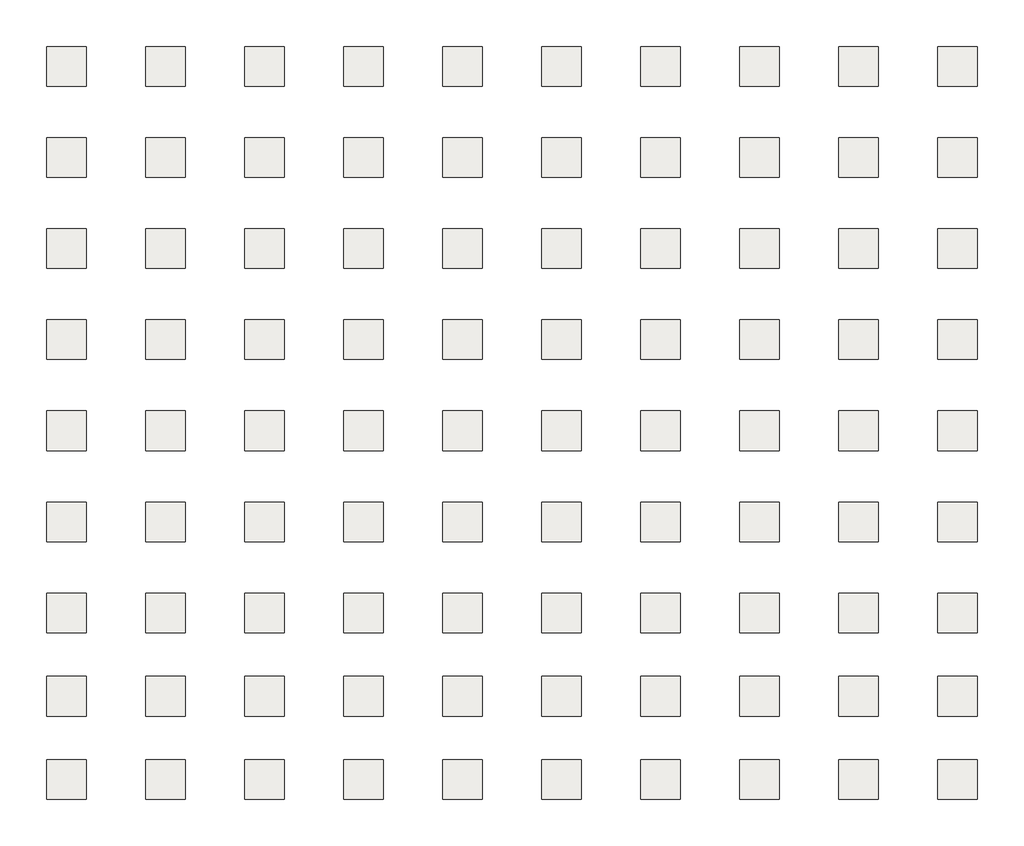
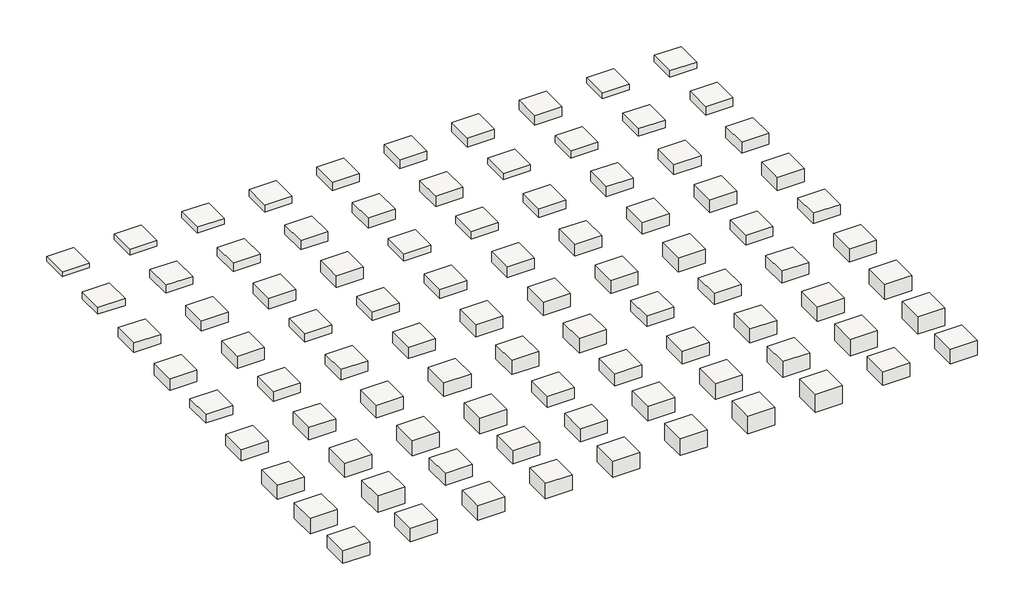
# One storey: 90 slabs.
"""IFC4 building model written with IfcOpenShell, lengths in millimetres."""

from ifc_helpers import new_model, si_unit, frame, origin, place, context, project, spatial, polyline, outline, extrude, element, save

model = new_model("IFC4")

# Units and contexts
model_context = context("Model", 3, world=origin())
ifc_project = project(units=[si_unit("LENGTHUNIT", "METRE", prefix="MILLI")], contexts=[model_context])

# Site, building, storey
site = spatial("IfcSite", under=ifc_project)
building = spatial("IfcBuilding", under=site)
storey = spatial("IfcBuildingStorey", under=building, Elevation=10972.8)

# Slabs
placement = place(None, origin())
element("IfcSlab", 1, at=placement, inside=storey, context=model_context, shape_type="SweptSolid", body=[
    extrude(outline(polyline([(-14128.9835383, 9270.2863389), (-14128.9835383, 6222.2863389), (-17176.9835383, 6222.2863389), (-17176.9835383, 9270.2863389), (-14128.9835383, 9270.2863389)])), frame((0.0, 0.0, 10429.2399904), z_axis=(0.0, 0.0, 1.0), x_axis=(1.0, 0.0, 0.0)), (0.0, 0.0, 1.0), 543.5600096),
])
element("IfcSlab", 2, at=placement, inside=storey, context=model_context, shape_type="SweptSolid", body=[
    extrude(outline(polyline([(-6508.9835383, 9270.2863389), (-6508.9835383, 6222.2863389), (-9556.9835383, 6222.2863389), (-9556.9835383, 9270.2863389), (-6508.9835383, 9270.2863389)])), frame((0.0, 0.0, 10353.0399904), z_axis=(0.0, 0.0, 1.0), x_axis=(1.0, 0.0, 0.0)), (0.0, 0.0, 1.0), 619.7600096),
])
element("IfcSlab", 3, at=placement, inside=storey, context=model_context, shape_type="SweptSolid", body=[
    extrude(outline(polyline([(1111.0164617, 9270.2863389), (1111.0164617, 6222.2863389), (-1936.9835383, 6222.2863389), (-1936.9835383, 9270.2863389), (1111.0164617, 9270.2863389)])), frame((0.0, 0.0, 10276.8399904), z_axis=(0.0, 0.0, 1.0), x_axis=(1.0, 0.0, 0.0)), (0.0, 0.0, 1.0), 695.9600096),
])
element("IfcSlab", 4, at=placement, inside=storey, context=model_context, shape_type="SweptSolid", body=[
    extrude(outline(polyline([(8731.0164617, 9270.2863389), (8731.0164617, 6222.2863389), (5683.0164617, 6222.2863389), (5683.0164617, 9270.2863389), (8731.0164617, 9270.2863389)])), frame((0.0, 0.0, 10124.4399904), z_axis=(0.0, 0.0, 1.0), x_axis=(1.0, 0.0, 0.0)), (0.0, 0.0, 1.0), 848.3600096),
])
element("IfcSlab", 5, at=placement, inside=storey, context=model_context, shape_type="SweptSolid", body=[
    extrude(outline(polyline([(16351.0164617, 9270.2863389), (16351.0164617, 6222.2863389), (13303.0164617, 6222.2863389), (13303.0164617, 9270.2863389), (16351.0164617, 9270.2863389)])), frame((0.0, 0.0, 10048.2399904), z_axis=(0.0, 0.0, 1.0), x_axis=(1.0, 0.0, 0.0)), (0.0, 0.0, 1.0), 924.5600096),
])
element("IfcSlab", 6, at=placement, inside=storey, context=model_context, shape_type="SweptSolid", body=[
    extrude(outline(polyline([(23971.0164617, 9270.2863389), (23971.0164617, 6222.2863389), (20923.0164617, 6222.2863389), (20923.0164617, 9270.2863389), (23971.0164617, 9270.2863389)])), frame((0.0, 0.0, 9972.0399904), z_axis=(0.0, 0.0, 1.0), x_axis=(1.0, 0.0, 0.0)), (0.0, 0.0, 1.0), 1000.7600096),
])
element("IfcSlab", 7, at=placement, inside=storey, context=model_context, shape_type="SweptSolid", body=[
    extrude(outline(polyline([(31591.0164617, 9270.2863389), (31591.0164617, 6222.2863389), (28543.0164617, 6222.2863389), (28543.0164617, 9270.2863389), (31591.0164617, 9270.2863389)])), frame((0.0, 0.0, 9895.8399904), z_axis=(0.0, 0.0, 1.0), x_axis=(1.0, 0.0, 0.0)), (0.0, 0.0, 1.0), 1076.9600096),
])
element("IfcSlab", 8, at=placement, inside=storey, context=model_context, shape_type="SweptSolid", body=[
    extrude(outline(polyline([(39211.0164617, 9270.2863389), (39211.0164617, 6222.2863389), (36163.0164617, 6222.2863389), (36163.0164617, 9270.2863389), (39211.0164617, 9270.2863389)])), frame((0.0, 0.0, 9819.6399904), z_axis=(0.0, 0.0, 1.0), x_axis=(1.0, 0.0, 0.0)), (0.0, 0.0, 1.0), 1153.1600096),
])
element("IfcSlab", 9, at=placement, inside=storey, context=model_context, shape_type="SweptSolid", body=[
    extrude(outline(polyline([(46831.0164617, 9270.2863389), (46831.0164617, 6222.2863389), (43783.0164617, 6222.2863389), (43783.0164617, 9270.2863389), (46831.0164617, 9270.2863389)])), frame((0.0, 0.0, 10330.179994), z_axis=(0.0, 0.0, 1.0), x_axis=(1.0, 0.0, 0.0)), (0.0, 0.0, 1.0), 642.620006),
])
element("IfcSlab", 10, at=placement, inside=storey, context=model_context, shape_type="SweptSolid", body=[
    extrude(outline(polyline([(54451.0164617, 9270.2863389), (54451.0164617, 6222.2863389), (51403.0164617, 6222.2863389), (51403.0164617, 9270.2863389), (54451.0164617, 9270.2863389)])), frame((0.0, 0.0, 10253.979994), z_axis=(0.0, 0.0, 1.0), x_axis=(1.0, 0.0, 0.0)), (0.0, 0.0, 1.0), 718.820006),
])
element("IfcSlab", 11, at=placement, inside=storey, context=model_context, shape_type="SweptSolid", body=[
    extrude(outline(polyline([(-14128.9835383, 2259.8863389), (-14128.9835383, -788.1136611), (-17176.9835383, -788.1136611), (-17176.9835383, 2259.8863389), (-14128.9835383, 2259.8863389)])), frame((0.0, 0.0, 10177.779994), z_axis=(0.0, 0.0, 1.0), x_axis=(1.0, 0.0, 0.0)), (0.0, 0.0, 1.0), 795.020006),
])
element("IfcSlab", 12, at=placement, inside=storey, context=model_context, shape_type="SweptSolid", body=[
    extrude(outline(polyline([(-6508.9835383, 2259.8863389), (-6508.9835383, -788.1136611), (-9556.9835383, -788.1136611), (-9556.9835383, 2259.8863389), (-6508.9835383, 2259.8863389)])), frame((0.0, 0.0, 10025.379994), z_axis=(0.0, 0.0, 1.0), x_axis=(1.0, 0.0, 0.0)), (0.0, 0.0, 1.0), 947.420006),
])
element("IfcSlab", 13, at=placement, inside=storey, context=model_context, shape_type="SweptSolid", body=[
    extrude(outline(polyline([(1111.0164617, 2259.8863389), (1111.0164617, -788.1136611), (-1936.9835383, -788.1136611), (-1936.9835383, 2259.8863389), (1111.0164617, 2259.8863389)])), frame((0.0, 0.0, 9949.179994), z_axis=(0.0, 0.0, 1.0), x_axis=(1.0, 0.0, 0.0)), (0.0, 0.0, 1.0), 1023.620006),
])
element("IfcSlab", 14, at=placement, inside=storey, context=model_context, shape_type="SweptSolid", body=[
    extrude(outline(polyline([(8731.0164617, 2259.8863389), (8731.0164617, -788.1136611), (5683.0164617, -788.1136611), (5683.0164617, 2259.8863389), (8731.0164617, 2259.8863389)])), frame((0.0, 0.0, 9872.979994), z_axis=(0.0, 0.0, 1.0), x_axis=(1.0, 0.0, 0.0)), (0.0, 0.0, 1.0), 1099.820006),
])
element("IfcSlab", 15, at=placement, inside=storey, context=model_context, shape_type="SweptSolid", body=[
    extrude(outline(polyline([(16351.0164617, 2259.8863389), (16351.0164617, -788.1136611), (13303.0164617, -788.1136611), (13303.0164617, 2259.8863389), (16351.0164617, 2259.8863389)])), frame((0.0, 0.0, 9796.779994), z_axis=(0.0, 0.0, 1.0), x_axis=(1.0, 0.0, 0.0)), (0.0, 0.0, 1.0), 1176.020006),
])
element("IfcSlab", 16, at=placement, inside=storey, context=model_context, shape_type="SweptSolid", body=[
    extrude(outline(polyline([(23971.0164617, 2259.8863389), (23971.0164617, -788.1136611), (20923.0164617, -788.1136611), (20923.0164617, 2259.8863389), (23971.0164617, 2259.8863389)])), frame((0.0, 0.0, 9720.579994), z_axis=(0.0, 0.0, 1.0), x_axis=(1.0, 0.0, 0.0)), (0.0, 0.0, 1.0), 1252.220006),
])
element("IfcSlab", 17, at=placement, inside=storey, context=model_context, shape_type="SweptSolid", body=[
    extrude(outline(polyline([(31591.0164617, 2259.8863389), (31591.0164617, -788.1136611), (28543.0164617, -788.1136611), (28543.0164617, 2259.8863389), (31591.0164617, 2259.8863389)])), frame((0.0, 0.0, 10231.1200158), z_axis=(0.0, 0.0, 1.0), x_axis=(1.0, 0.0, 0.0)), (0.0, 0.0, 1.0), 741.6799842),
])
element("IfcSlab", 18, at=placement, inside=storey, context=model_context, shape_type="SweptSolid", body=[
    extrude(outline(polyline([(39211.0164617, 2259.8863389), (39211.0164617, -788.1136611), (36163.0164617, -788.1136611), (36163.0164617, 2259.8863389), (39211.0164617, 2259.8863389)])), frame((0.0, 0.0, 10154.9200158), z_axis=(0.0, 0.0, 1.0), x_axis=(1.0, 0.0, 0.0)), (0.0, 0.0, 1.0), 817.8799842),
])
element("IfcSlab", 19, at=placement, inside=storey, context=model_context, shape_type="SweptSolid", body=[
    extrude(outline(polyline([(46831.0164617, 2259.8863389), (46831.0164617, -788.1136611), (43783.0164617, -788.1136611), (43783.0164617, 2259.8863389), (46831.0164617, 2259.8863389)])), frame((0.0, 0.0, 10078.7200158), z_axis=(0.0, 0.0, 1.0), x_axis=(1.0, 0.0, 0.0)), (0.0, 0.0, 1.0), 894.0799842),
])
element("IfcSlab", 20, at=placement, inside=storey, context=model_context, shape_type="SweptSolid", body=[
    extrude(outline(polyline([(54451.0164617, 2259.8863389), (54451.0164617, -788.1136611), (51403.0164617, -788.1136611), (51403.0164617, 2259.8863389), (54451.0164617, 2259.8863389)])), frame((0.0, 0.0, 9926.3200158), z_axis=(0.0, 0.0, 1.0), x_axis=(1.0, 0.0, 0.0)), (0.0, 0.0, 1.0), 1046.4799842),
])
element("IfcSlab", 21, at=placement, inside=storey, context=model_context, shape_type="SweptSolid", body=[
    extrude(outline(polyline([(-14128.9835383, -4750.5136611), (-14128.9835383, -7798.5136611), (-17176.9835383, -7798.5136611), (-17176.9835383, -4750.5136611), (-14128.9835383, -4750.5136611)])), frame((0.0, 0.0, 9850.1200158), z_axis=(0.0, 0.0, 1.0), x_axis=(1.0, 0.0, 0.0)), (0.0, 0.0, 1.0), 1122.6799842),
])
element("IfcSlab", 22, at=placement, inside=storey, context=model_context, shape_type="SweptSolid", body=[
    extrude(outline(polyline([(-6508.9835383, -4750.5136611), (-6508.9835383, -7798.5136611), (-9556.9835383, -7798.5136611), (-9556.9835383, -4750.5136611), (-6508.9835383, -4750.5136611)])), frame((0.0, 0.0, 9773.9200158), z_axis=(0.0, 0.0, 1.0), x_axis=(1.0, 0.0, 0.0)), (0.0, 0.0, 1.0), 1198.8799842),
])
element("IfcSlab", 23, at=placement, inside=storey, context=model_context, shape_type="SweptSolid", body=[
    extrude(outline(polyline([(1111.0164617, -4750.5136611), (1111.0164617, -7798.5136611), (-1936.9835383, -7798.5136611), (-1936.9835383, -4750.5136611), (1111.0164617, -4750.5136611)])), frame((0.0, 0.0, 9697.7200158), z_axis=(0.0, 0.0, 1.0), x_axis=(1.0, 0.0, 0.0)), (0.0, 0.0, 1.0), 1275.0799842),
])
element("IfcSlab", 24, at=placement, inside=storey, context=model_context, shape_type="SweptSolid", body=[
    extrude(outline(polyline([(8731.0164617, -4750.5136611), (8731.0164617, -7798.5136611), (5683.0164617, -7798.5136611), (5683.0164617, -4750.5136611), (8731.0164617, -4750.5136611)])), frame((0.0, 0.0, 9621.5200158), z_axis=(0.0, 0.0, 1.0), x_axis=(1.0, 0.0, 0.0)), (0.0, 0.0, 1.0), 1351.2799842),
])
element("IfcSlab", 25, at=placement, inside=storey, context=model_context, shape_type="SweptSolid", body=[
    extrude(outline(polyline([(16351.0164617, -4750.5136611), (16351.0164617, -7798.5136611), (13303.0164617, -7798.5136611), (13303.0164617, -4750.5136611), (16351.0164617, -4750.5136611)])), frame((0.0, 0.0, 10129.5200037), z_axis=(0.0, 0.0, 1.0), x_axis=(1.0, 0.0, 0.0)), (0.0, 0.0, 1.0), 843.2799963),
])
element("IfcSlab", 26, at=placement, inside=storey, context=model_context, shape_type="SweptSolid", body=[
    extrude(outline(polyline([(23971.0164617, -4750.5136611), (23971.0164617, -7798.5136611), (20923.0164617, -7798.5136611), (20923.0164617, -4750.5136611), (23971.0164617, -4750.5136611)])), frame((0.0, 0.0, 10053.3200037), z_axis=(0.0, 0.0, 1.0), x_axis=(1.0, 0.0, 0.0)), (0.0, 0.0, 1.0), 919.4799963),
])
element("IfcSlab", 27, at=placement, inside=storey, context=model_context, shape_type="SweptSolid", body=[
    extrude(outline(polyline([(31591.0164617, -4750.5136611), (31591.0164617, -7798.5136611), (28543.0164617, -7798.5136611), (28543.0164617, -4750.5136611), (31591.0164617, -4750.5136611)])), frame((0.0, 0.0, 9977.1200037), z_axis=(0.0, 0.0, 1.0), x_axis=(1.0, 0.0, 0.0)), (0.0, 0.0, 1.0), 995.6799963),
])
element("IfcSlab", 28, at=placement, inside=storey, context=model_context, shape_type="SweptSolid", body=[
    extrude(outline(polyline([(39211.0164617, -4750.5136611), (39211.0164617, -7798.5136611), (36163.0164617, -7798.5136611), (36163.0164617, -4750.5136611), (39211.0164617, -4750.5136611)])), frame((0.0, 0.0, 9824.7200037), z_axis=(0.0, 0.0, 1.0), x_axis=(1.0, 0.0, 0.0)), (0.0, 0.0, 1.0), 1148.0799963),
])
element("IfcSlab", 29, at=placement, inside=storey, context=model_context, shape_type="SweptSolid", body=[
    extrude(outline(polyline([(46831.0164617, -4750.5136611), (46831.0164617, -7798.5136611), (43783.0164617, -7798.5136611), (43783.0164617, -4750.5136611), (46831.0164617, -4750.5136611)])), frame((0.0, 0.0, 9748.5200037), z_axis=(0.0, 0.0, 1.0), x_axis=(1.0, 0.0, 0.0)), (0.0, 0.0, 1.0), 1224.2799963),
])
element("IfcSlab", 30, at=placement, inside=storey, context=model_context, shape_type="SweptSolid", body=[
    extrude(outline(polyline([(54451.0164617, -4750.5136611), (54451.0164617, -7798.5136611), (51403.0164617, -7798.5136611), (51403.0164617, -4750.5136611), (54451.0164617, -4750.5136611)])), frame((0.0, 0.0, 9672.3200037), z_axis=(0.0, 0.0, 1.0), x_axis=(1.0, 0.0, 0.0)), (0.0, 0.0, 1.0), 1300.4799963),
])
element("IfcSlab", 31, at=placement, inside=storey, context=model_context, shape_type="SweptSolid", body=[
    extrude(outline(polyline([(-14128.9835383, -11760.9136611), (-14128.9835383, -14808.9136611), (-17176.9835383, -14808.9136611), (-17176.9835383, -11760.9136611), (-14128.9835383, -11760.9136611)])), frame((0.0, 0.0, 9596.1200037), z_axis=(0.0, 0.0, 1.0), x_axis=(1.0, 0.0, 0.0)), (0.0, 0.0, 1.0), 1376.6799963),
])
element("IfcSlab", 32, at=placement, inside=storey, context=model_context, shape_type="SweptSolid", body=[
    extrude(outline(polyline([(-6508.9835383, -11760.9136611), (-6508.9835383, -14808.9136611), (-9556.9835383, -14808.9136611), (-9556.9835383, -11760.9136611), (-6508.9835383, -11760.9136611)])), frame((0.0, 0.0, 9519.9200037), z_axis=(0.0, 0.0, 1.0), x_axis=(1.0, 0.0, 0.0)), (0.0, 0.0, 1.0), 1452.8799963),
])
element("IfcSlab", 33, at=placement, inside=storey, context=model_context, shape_type="SweptSolid", body=[
    extrude(outline(polyline([(1111.0164617, -11760.9136611), (1111.0164617, -14808.9136611), (-1936.9835383, -14808.9136611), (-1936.9835383, -11760.9136611), (1111.0164617, -11760.9136611)])), frame((0.0, 0.0, 10030.4599892), z_axis=(0.0, 0.0, 1.0), x_axis=(1.0, 0.0, 0.0)), (0.0, 0.0, 1.0), 942.3400108),
])
element("IfcSlab", 34, at=placement, inside=storey, context=model_context, shape_type="SweptSolid", body=[
    extrude(outline(polyline([(8731.0164617, -11760.9136611), (8731.0164617, -14808.9136611), (5683.0164617, -14808.9136611), (5683.0164617, -11760.9136611), (8731.0164617, -11760.9136611)])), frame((0.0, 0.0, 9954.2599892), z_axis=(0.0, 0.0, 1.0), x_axis=(1.0, 0.0, 0.0)), (0.0, 0.0, 1.0), 1018.5400108),
])
element("IfcSlab", 35, at=placement, inside=storey, context=model_context, shape_type="SweptSolid", body=[
    extrude(outline(polyline([(16351.0164617, -11760.9136611), (16351.0164617, -14808.9136611), (13303.0164617, -14808.9136611), (13303.0164617, -11760.9136611), (16351.0164617, -11760.9136611)])), frame((0.0, 0.0, 9878.0599892), z_axis=(0.0, 0.0, 1.0), x_axis=(1.0, 0.0, 0.0)), (0.0, 0.0, 1.0), 1094.7400108),
])
element("IfcSlab", 36, at=placement, inside=storey, context=model_context, shape_type="SweptSolid", body=[
    extrude(outline(polyline([(23971.0164617, -11760.9136611), (23971.0164617, -14808.9136611), (20923.0164617, -14808.9136611), (20923.0164617, -11760.9136611), (23971.0164617, -11760.9136611)])), frame((0.0, 0.0, 9725.6599892), z_axis=(0.0, 0.0, 1.0), x_axis=(1.0, 0.0, 0.0)), (0.0, 0.0, 1.0), 1247.1400108),
])
element("IfcSlab", 37, at=placement, inside=storey, context=model_context, shape_type="SweptSolid", body=[
    extrude(outline(polyline([(31591.0164617, -11760.9136611), (31591.0164617, -14808.9136611), (28543.0164617, -14808.9136611), (28543.0164617, -11760.9136611), (31591.0164617, -11760.9136611)])), frame((0.0, 0.0, 9649.4599892), z_axis=(0.0, 0.0, 1.0), x_axis=(1.0, 0.0, 0.0)), (0.0, 0.0, 1.0), 1323.3400108),
])
element("IfcSlab", 38, at=placement, inside=storey, context=model_context, shape_type="SweptSolid", body=[
    extrude(outline(polyline([(39211.0164617, -11760.9136611), (39211.0164617, -14808.9136611), (36163.0164617, -14808.9136611), (36163.0164617, -11760.9136611), (39211.0164617, -11760.9136611)])), frame((0.0, 0.0, 9573.2599892), z_axis=(0.0, 0.0, 1.0), x_axis=(1.0, 0.0, 0.0)), (0.0, 0.0, 1.0), 1399.5400108),
])
element("IfcSlab", 39, at=placement, inside=storey, context=model_context, shape_type="SweptSolid", body=[
    extrude(outline(polyline([(46831.0164617, -11760.9136611), (46831.0164617, -14808.9136611), (43783.0164617, -14808.9136611), (43783.0164617, -11760.9136611), (46831.0164617, -11760.9136611)])), frame((0.0, 0.0, 9497.0599892), z_axis=(0.0, 0.0, 1.0), x_axis=(1.0, 0.0, 0.0)), (0.0, 0.0, 1.0), 1475.7400108),
])
element("IfcSlab", 40, at=placement, inside=storey, context=model_context, shape_type="SweptSolid", body=[
    extrude(outline(polyline([(54451.0164617, -11760.9136611), (54451.0164617, -14808.9136611), (51403.0164617, -14808.9136611), (51403.0164617, -11760.9136611), (54451.0164617, -11760.9136611)])), frame((0.0, 0.0, 9420.8599892), z_axis=(0.0, 0.0, 1.0), x_axis=(1.0, 0.0, 0.0)), (0.0, 0.0, 1.0), 1551.9400108),
])
element("IfcSlab", 41, at=placement, inside=storey, context=model_context, shape_type="SweptSolid", body=[
    extrude(outline(polyline([(-14128.9835383, -18771.3136611), (-14128.9835383, -21819.3136611), (-17176.9835383, -21819.3136611), (-17176.9835383, -18771.3136611), (-14128.9835383, -18771.3136611)])), frame((0.0, 0.0, 9928.8600134), z_axis=(0.0, 0.0, 1.0), x_axis=(1.0, 0.0, 0.0)), (0.0, 0.0, 1.0), 1043.9399866),
])
element("IfcSlab", 42, at=placement, inside=storey, context=model_context, shape_type="SweptSolid", body=[
    extrude(outline(polyline([(-6508.9835383, -18771.3136611), (-6508.9835383, -21819.3136611), (-9556.9835383, -21819.3136611), (-9556.9835383, -18771.3136611), (-6508.9835383, -18771.3136611)])), frame((0.0, 0.0, 9852.6600134), z_axis=(0.0, 0.0, 1.0), x_axis=(1.0, 0.0, 0.0)), (0.0, 0.0, 1.0), 1120.1399866),
])
element("IfcSlab", 43, at=placement, inside=storey, context=model_context, shape_type="SweptSolid", body=[
    extrude(outline(polyline([(1111.0164617, -18771.3136611), (1111.0164617, -21819.3136611), (-1936.9835383, -21819.3136611), (-1936.9835383, -18771.3136611), (1111.0164617, -18771.3136611)])), frame((0.0, 0.0, 9776.4600134), z_axis=(0.0, 0.0, 1.0), x_axis=(1.0, 0.0, 0.0)), (0.0, 0.0, 1.0), 1196.3399866),
])
element("IfcSlab", 44, at=placement, inside=storey, context=model_context, shape_type="SweptSolid", body=[
    extrude(outline(polyline([(8731.0164617, -18771.3136611), (8731.0164617, -21819.3136611), (5683.0164617, -21819.3136611), (5683.0164617, -18771.3136611), (8731.0164617, -18771.3136611)])), frame((0.0, 0.0, 9624.0600134), z_axis=(0.0, 0.0, 1.0), x_axis=(1.0, 0.0, 0.0)), (0.0, 0.0, 1.0), 1348.7399866),
])
element("IfcSlab", 45, at=placement, inside=storey, context=model_context, shape_type="SweptSolid", body=[
    extrude(outline(polyline([(16351.0164617, -18771.3136611), (16351.0164617, -21819.3136611), (13303.0164617, -21819.3136611), (13303.0164617, -18771.3136611), (16351.0164617, -18771.3136611)])), frame((0.0, 0.0, 9547.8600134), z_axis=(0.0, 0.0, 1.0), x_axis=(1.0, 0.0, 0.0)), (0.0, 0.0, 1.0), 1424.9399866),
])
element("IfcSlab", 46, at=placement, inside=storey, context=model_context, shape_type="SweptSolid", body=[
    extrude(outline(polyline([(23971.0164617, -18771.3136611), (23971.0164617, -21819.3136611), (20923.0164617, -21819.3136611), (20923.0164617, -18771.3136611), (23971.0164617, -18771.3136611)])), frame((0.0, 0.0, 9471.6600134), z_axis=(0.0, 0.0, 1.0), x_axis=(1.0, 0.0, 0.0)), (0.0, 0.0, 1.0), 1501.1399866),
])
element("IfcSlab", 47, at=placement, inside=storey, context=model_context, shape_type="SweptSolid", body=[
    extrude(outline(polyline([(31591.0164617, -18771.3136611), (31591.0164617, -21819.3136611), (28543.0164617, -21819.3136611), (28543.0164617, -18771.3136611), (31591.0164617, -18771.3136611)])), frame((0.0, 0.0, 9395.4600134), z_axis=(0.0, 0.0, 1.0), x_axis=(1.0, 0.0, 0.0)), (0.0, 0.0, 1.0), 1577.3399866),
])
element("IfcSlab", 48, at=placement, inside=storey, context=model_context, shape_type="SweptSolid", body=[
    extrude(outline(polyline([(39211.0164617, -18771.3136611), (39211.0164617, -21819.3136611), (36163.0164617, -21819.3136611), (36163.0164617, -18771.3136611), (39211.0164617, -18771.3136611)])), frame((0.0, 0.0, 9319.2600134), z_axis=(0.0, 0.0, 1.0), x_axis=(1.0, 0.0, 0.0)), (0.0, 0.0, 1.0), 1653.5399866),
])
element("IfcSlab", 49, at=placement, inside=storey, context=model_context, shape_type="SweptSolid", body=[
    extrude(outline(polyline([(46831.0164617, -18771.3136611), (46831.0164617, -21819.3136611), (43783.0164617, -21819.3136611), (43783.0164617, -18771.3136611), (46831.0164617, -18771.3136611)])), frame((0.0, 0.0, 9829.7999989), z_axis=(0.0, 0.0, 1.0), x_axis=(1.0, 0.0, 0.0)), (0.0, 0.0, 1.0), 1143.0000011),
])
element("IfcSlab", 50, at=placement, inside=storey, context=model_context, shape_type="SweptSolid", body=[
    extrude(outline(polyline([(54451.0164617, -18771.3136611), (54451.0164617, -21819.3136611), (51403.0164617, -21819.3136611), (51403.0164617, -18771.3136611), (54451.0164617, -18771.3136611)])), frame((0.0, 0.0, 9753.5999989), z_axis=(0.0, 0.0, 1.0), x_axis=(1.0, 0.0, 0.0)), (0.0, 0.0, 1.0), 1219.2000011),
])
element("IfcSlab", 51, at=placement, inside=storey, context=model_context, shape_type="SweptSolid", body=[
    extrude(outline(polyline([(-14128.9835383, -25781.7136611), (-14128.9835383, -28829.7136611), (-17176.9835383, -28829.7136611), (-17176.9835383, -25781.7136611), (-14128.9835383, -25781.7136611)])), frame((0.0, 0.0, 9677.3999989), z_axis=(0.0, 0.0, 1.0), x_axis=(1.0, 0.0, 0.0)), (0.0, 0.0, 1.0), 1295.4000011),
])
element("IfcSlab", 52, at=placement, inside=storey, context=model_context, shape_type="SweptSolid", body=[
    extrude(outline(polyline([(-6508.9835383, -25781.7136611), (-6508.9835383, -28829.7136611), (-9556.9835383, -28829.7136611), (-9556.9835383, -25781.7136611), (-6508.9835383, -25781.7136611)])), frame((0.0, 0.0, 9524.9999989), z_axis=(0.0, 0.0, 1.0), x_axis=(1.0, 0.0, 0.0)), (0.0, 0.0, 1.0), 1447.8000011),
])
element("IfcSlab", 53, at=placement, inside=storey, context=model_context, shape_type="SweptSolid", body=[
    extrude(outline(polyline([(1111.0164617, -25781.7136611), (1111.0164617, -28829.7136611), (-1936.9835383, -28829.7136611), (-1936.9835383, -25781.7136611), (1111.0164617, -25781.7136611)])), frame((0.0, 0.0, 9448.7999989), z_axis=(0.0, 0.0, 1.0), x_axis=(1.0, 0.0, 0.0)), (0.0, 0.0, 1.0), 1524.0000011),
])
element("IfcSlab", 54, at=placement, inside=storey, context=model_context, shape_type="SweptSolid", body=[
    extrude(outline(polyline([(8731.0164617, -25781.7136611), (8731.0164617, -28829.7136611), (5683.0164617, -28829.7136611), (5683.0164617, -25781.7136611), (8731.0164617, -25781.7136611)])), frame((0.0, 0.0, 9372.5999989), z_axis=(0.0, 0.0, 1.0), x_axis=(1.0, 0.0, 0.0)), (0.0, 0.0, 1.0), 1600.2000011),
])
element("IfcSlab", 55, at=placement, inside=storey, context=model_context, shape_type="SweptSolid", body=[
    extrude(outline(polyline([(16351.0164617, -25781.7136611), (16351.0164617, -28829.7136611), (13303.0164617, -28829.7136611), (13303.0164617, -25781.7136611), (16351.0164617, -25781.7136611)])), frame((0.0, 0.0, 9296.3999989), z_axis=(0.0, 0.0, 1.0), x_axis=(1.0, 0.0, 0.0)), (0.0, 0.0, 1.0), 1676.4000011),
])
element("IfcSlab", 56, at=placement, inside=storey, context=model_context, shape_type="SweptSolid", body=[
    extrude(outline(polyline([(23971.0164617, -25781.7136611), (23971.0164617, -28829.7136611), (20923.0164617, -28829.7136611), (20923.0164617, -25781.7136611), (23971.0164617, -25781.7136611)])), frame((0.0, 0.0, 9220.1999989), z_axis=(0.0, 0.0, 1.0), x_axis=(1.0, 0.0, 0.0)), (0.0, 0.0, 1.0), 1752.6000011),
])
element("IfcSlab", 57, at=placement, inside=storey, context=model_context, shape_type="SweptSolid", body=[
    extrude(outline(polyline([(31591.0164617, -25781.7136611), (31591.0164617, -28829.7136611), (28543.0164617, -28829.7136611), (28543.0164617, -25781.7136611), (31591.0164617, -25781.7136611)])), frame((0.0, 0.0, 9730.7399843), z_axis=(0.0, 0.0, 1.0), x_axis=(1.0, 0.0, 0.0)), (0.0, 0.0, 1.0), 1242.0600157),
])
element("IfcSlab", 58, at=placement, inside=storey, context=model_context, shape_type="SweptSolid", body=[
    extrude(outline(polyline([(39211.0164617, -25781.7136611), (39211.0164617, -28829.7136611), (36163.0164617, -28829.7136611), (36163.0164617, -25781.7136611), (39211.0164617, -25781.7136611)])), frame((0.0, 0.0, 9654.5399843), z_axis=(0.0, 0.0, 1.0), x_axis=(1.0, 0.0, 0.0)), (0.0, 0.0, 1.0), 1318.2600157),
])
element("IfcSlab", 59, at=placement, inside=storey, context=model_context, shape_type="SweptSolid", body=[
    extrude(outline(polyline([(46831.0164617, -25781.7136611), (46831.0164617, -28829.7136611), (43783.0164617, -28829.7136611), (43783.0164617, -25781.7136611), (46831.0164617, -25781.7136611)])), frame((0.0, 0.0, 9578.3399843), z_axis=(0.0, 0.0, 1.0), x_axis=(1.0, 0.0, 0.0)), (0.0, 0.0, 1.0), 1394.4600157),
])
element("IfcSlab", 60, at=placement, inside=storey, context=model_context, shape_type="SweptSolid", body=[
    extrude(outline(polyline([(54451.0164617, -25781.7136611), (54451.0164617, -28829.7136611), (51403.0164617, -28829.7136611), (51403.0164617, -25781.7136611), (54451.0164617, -25781.7136611)])), frame((0.0, 0.0, 9425.9399843), z_axis=(0.0, 0.0, 1.0), x_axis=(1.0, 0.0, 0.0)), (0.0, 0.0, 1.0), 1546.8600157),
])
element("IfcSlab", 61, at=placement, inside=storey, context=model_context, shape_type="SweptSolid", body=[
    extrude(outline(polyline([(-14128.9835383, -32792.1136611), (-14128.9835383, -35840.1136611), (-17176.9835383, -35840.1136611), (-17176.9835383, -32792.1136611), (-14128.9835383, -32792.1136611)])), frame((0.0, 0.0, 9349.7399843), z_axis=(0.0, 0.0, 1.0), x_axis=(1.0, 0.0, 0.0)), (0.0, 0.0, 1.0), 1623.0600157),
])
element("IfcSlab", 62, at=placement, inside=storey, context=model_context, shape_type="SweptSolid", body=[
    extrude(outline(polyline([(-6508.9835383, -32792.1136611), (-6508.9835383, -35840.1136611), (-9556.9835383, -35840.1136611), (-9556.9835383, -32792.1136611), (-6508.9835383, -32792.1136611)])), frame((0.0, 0.0, 9273.5399843), z_axis=(0.0, 0.0, 1.0), x_axis=(1.0, 0.0, 0.0)), (0.0, 0.0, 1.0), 1699.2600157),
])
element("IfcSlab", 63, at=placement, inside=storey, context=model_context, shape_type="SweptSolid", body=[
    extrude(outline(polyline([(1111.0164617, -32792.1136611), (1111.0164617, -35840.1136611), (-1936.9835383, -35840.1136611), (-1936.9835383, -32792.1136611), (1111.0164617, -32792.1136611)])), frame((0.0, 0.0, 9197.3399843), z_axis=(0.0, 0.0, 1.0), x_axis=(1.0, 0.0, 0.0)), (0.0, 0.0, 1.0), 1775.4600157),
])
element("IfcSlab", 64, at=placement, inside=storey, context=model_context, shape_type="SweptSolid", body=[
    extrude(outline(polyline([(8731.0164617, -32792.1136611), (8731.0164617, -35840.1136611), (5683.0164617, -35840.1136611), (5683.0164617, -32792.1136611), (8731.0164617, -32792.1136611)])), frame((0.0, 0.0, 9121.1399843), z_axis=(0.0, 0.0, 1.0), x_axis=(1.0, 0.0, 0.0)), (0.0, 0.0, 1.0), 1851.6600157),
])
element("IfcSlab", 65, at=placement, inside=storey, context=model_context, shape_type="SweptSolid", body=[
    extrude(outline(polyline([(16351.0164617, -32792.1136611), (16351.0164617, -35840.1136611), (13303.0164617, -35840.1136611), (13303.0164617, -32792.1136611), (16351.0164617, -32792.1136611)])), frame((0.0, 0.0, 9629.1400086), z_axis=(0.0, 0.0, 1.0), x_axis=(1.0, 0.0, 0.0)), (0.0, 0.0, 1.0), 1343.6599914),
])
element("IfcSlab", 66, at=placement, inside=storey, context=model_context, shape_type="SweptSolid", body=[
    extrude(outline(polyline([(23971.0164617, -32792.1136611), (23971.0164617, -35840.1136611), (20923.0164617, -35840.1136611), (20923.0164617, -32792.1136611), (23971.0164617, -32792.1136611)])), frame((0.0, 0.0, 9552.9400086), z_axis=(0.0, 0.0, 1.0), x_axis=(1.0, 0.0, 0.0)), (0.0, 0.0, 1.0), 1419.8599914),
])
element("IfcSlab", 67, at=placement, inside=storey, context=model_context, shape_type="SweptSolid", body=[
    extrude(outline(polyline([(31591.0164617, -32792.1136611), (31591.0164617, -35840.1136611), (28543.0164617, -35840.1136611), (28543.0164617, -32792.1136611), (31591.0164617, -32792.1136611)])), frame((0.0, 0.0, 9476.7400086), z_axis=(0.0, 0.0, 1.0), x_axis=(1.0, 0.0, 0.0)), (0.0, 0.0, 1.0), 1496.0599914),
])
element("IfcSlab", 68, at=placement, inside=storey, context=model_context, shape_type="SweptSolid", body=[
    extrude(outline(polyline([(39211.0164617, -32792.1136611), (39211.0164617, -35840.1136611), (36163.0164617, -35840.1136611), (36163.0164617, -32792.1136611), (39211.0164617, -32792.1136611)])), frame((0.0, 0.0, 9324.3400086), z_axis=(0.0, 0.0, 1.0), x_axis=(1.0, 0.0, 0.0)), (0.0, 0.0, 1.0), 1648.4599914),
])
element("IfcSlab", 69, at=placement, inside=storey, context=model_context, shape_type="SweptSolid", body=[
    extrude(outline(polyline([(46831.0164617, -32792.1136611), (46831.0164617, -35840.1136611), (43783.0164617, -35840.1136611), (43783.0164617, -32792.1136611), (46831.0164617, -32792.1136611)])), frame((0.0, 0.0, 9248.1400086), z_axis=(0.0, 0.0, 1.0), x_axis=(1.0, 0.0, 0.0)), (0.0, 0.0, 1.0), 1724.6599914),
])
element("IfcSlab", 70, at=placement, inside=storey, context=model_context, shape_type="SweptSolid", body=[
    extrude(outline(polyline([(54451.0164617, -32792.1136611), (54451.0164617, -35840.1136611), (51403.0164617, -35840.1136611), (51403.0164617, -32792.1136611), (54451.0164617, -32792.1136611)])), frame((0.0, 0.0, 9171.9400086), z_axis=(0.0, 0.0, 1.0), x_axis=(1.0, 0.0, 0.0)), (0.0, 0.0, 1.0), 1800.8599914),
])
element("IfcSlab", 71, at=placement, inside=storey, context=model_context, shape_type="SweptSolid", body=[
    extrude(outline(polyline([(-14128.9835383, -39192.9136611), (-14128.9835383, -42240.9136611), (-17176.9835383, -42240.9136611), (-17176.9835383, -39192.9136611), (-14128.9835383, -39192.9136611)])), frame((0.0, 0.0, 9095.7400086), z_axis=(0.0, 0.0, 1.0), x_axis=(1.0, 0.0, 0.0)), (0.0, 0.0, 1.0), 1877.0599914),
])
element("IfcSlab", 72, at=placement, inside=storey, context=model_context, shape_type="SweptSolid", body=[
    extrude(outline(polyline([(-6508.9835383, -39192.9136611), (-6508.9835383, -42240.9136611), (-9556.9835383, -42240.9136611), (-9556.9835383, -39192.9136611), (-6508.9835383, -39192.9136611)])), frame((0.0, 0.0, 9019.5400086), z_axis=(0.0, 0.0, 1.0), x_axis=(1.0, 0.0, 0.0)), (0.0, 0.0, 1.0), 1953.2599914),
])
element("IfcSlab", 73, at=placement, inside=storey, context=model_context, shape_type="SweptSolid", body=[
    extrude(outline(polyline([(1111.0164617, -39192.9136611), (1111.0164617, -42240.9136611), (-1936.9835383, -42240.9136611), (-1936.9835383, -39192.9136611), (1111.0164617, -39192.9136611)])), frame((0.0, 0.0, 9530.079994), z_axis=(0.0, 0.0, 1.0), x_axis=(1.0, 0.0, 0.0)), (0.0, 0.0, 1.0), 1442.720006),
])
element("IfcSlab", 74, at=placement, inside=storey, context=model_context, shape_type="SweptSolid", body=[
    extrude(outline(polyline([(8731.0164617, -39192.9136611), (8731.0164617, -42240.9136611), (5683.0164617, -42240.9136611), (5683.0164617, -39192.9136611), (8731.0164617, -39192.9136611)])), frame((0.0, 0.0, 9453.879994), z_axis=(0.0, 0.0, 1.0), x_axis=(1.0, 0.0, 0.0)), (0.0, 0.0, 1.0), 1518.920006),
])
element("IfcSlab", 75, at=placement, inside=storey, context=model_context, shape_type="SweptSolid", body=[
    extrude(outline(polyline([(16351.0164617, -39192.9136611), (16351.0164617, -42240.9136611), (13303.0164617, -42240.9136611), (13303.0164617, -39192.9136611), (16351.0164617, -39192.9136611)])), frame((0.0, 0.0, 9377.679994), z_axis=(0.0, 0.0, 1.0), x_axis=(1.0, 0.0, 0.0)), (0.0, 0.0, 1.0), 1595.120006),
])
element("IfcSlab", 76, at=placement, inside=storey, context=model_context, shape_type="SweptSolid", body=[
    extrude(outline(polyline([(23971.0164617, -39192.9136611), (23971.0164617, -42240.9136611), (20923.0164617, -42240.9136611), (20923.0164617, -39192.9136611), (23971.0164617, -39192.9136611)])), frame((0.0, 0.0, 9225.279994), z_axis=(0.0, 0.0, 1.0), x_axis=(1.0, 0.0, 0.0)), (0.0, 0.0, 1.0), 1747.520006),
])
element("IfcSlab", 77, at=placement, inside=storey, context=model_context, shape_type="SweptSolid", body=[
    extrude(outline(polyline([(31591.0164617, -39192.9136611), (31591.0164617, -42240.9136611), (28543.0164617, -42240.9136611), (28543.0164617, -39192.9136611), (31591.0164617, -39192.9136611)])), frame((0.0, 0.0, 9149.079994), z_axis=(0.0, 0.0, 1.0), x_axis=(1.0, 0.0, 0.0)), (0.0, 0.0, 1.0), 1823.720006),
])
element("IfcSlab", 78, at=placement, inside=storey, context=model_context, shape_type="SweptSolid", body=[
    extrude(outline(polyline([(39211.0164617, -39192.9136611), (39211.0164617, -42240.9136611), (36163.0164617, -42240.9136611), (36163.0164617, -39192.9136611), (39211.0164617, -39192.9136611)])), frame((0.0, 0.0, 9072.879994), z_axis=(0.0, 0.0, 1.0), x_axis=(1.0, 0.0, 0.0)), (0.0, 0.0, 1.0), 1899.920006),
])
element("IfcSlab", 79, at=placement, inside=storey, context=model_context, shape_type="SweptSolid", body=[
    extrude(outline(polyline([(46831.0164617, -39192.9136611), (46831.0164617, -42240.9136611), (43783.0164617, -42240.9136611), (43783.0164617, -39192.9136611), (46831.0164617, -39192.9136611)])), frame((0.0, 0.0, 8996.679994), z_axis=(0.0, 0.0, 1.0), x_axis=(1.0, 0.0, 0.0)), (0.0, 0.0, 1.0), 1976.120006),
])
element("IfcSlab", 80, at=placement, inside=storey, context=model_context, shape_type="SweptSolid", body=[
    extrude(outline(polyline([(54451.0164617, -39192.9136611), (54451.0164617, -42240.9136611), (51403.0164617, -42240.9136611), (51403.0164617, -39192.9136611), (54451.0164617, -39192.9136611)])), frame((0.0, 0.0, 8920.479994), z_axis=(0.0, 0.0, 1.0), x_axis=(1.0, 0.0, 0.0)), (0.0, 0.0, 1.0), 2052.320006),
])
element("IfcSlab", 81, at=placement, inside=storey, context=model_context, shape_type="SweptSolid", body=[
    extrude(outline(polyline([(-14128.9835383, -45593.7136611), (-14128.9835383, -48641.7136611), (-17176.9835383, -48641.7136611), (-17176.9835383, -45593.7136611), (-14128.9835383, -45593.7136611)])), frame((0.0, 0.0, 9431.0199795), z_axis=(0.0, 0.0, 1.0), x_axis=(1.0, 0.0, 0.0)), (0.0, 0.0, 1.0), 1541.7800205),
])
element("IfcSlab", 82, at=placement, inside=storey, context=model_context, shape_type="SweptSolid", body=[
    extrude(outline(polyline([(-6508.9835383, -45593.7136611), (-6508.9835383, -48641.7136611), (-9556.9835383, -48641.7136611), (-9556.9835383, -45593.7136611), (-6508.9835383, -45593.7136611)])), frame((0.0, 0.0, 9354.8199795), z_axis=(0.0, 0.0, 1.0), x_axis=(1.0, 0.0, 0.0)), (0.0, 0.0, 1.0), 1617.9800205),
])
element("IfcSlab", 83, at=placement, inside=storey, context=model_context, shape_type="SweptSolid", body=[
    extrude(outline(polyline([(1111.0164617, -45593.7136611), (1111.0164617, -48641.7136611), (-1936.9835383, -48641.7136611), (-1936.9835383, -45593.7136611), (1111.0164617, -45593.7136611)])), frame((0.0, 0.0, 9278.6199795), z_axis=(0.0, 0.0, 1.0), x_axis=(1.0, 0.0, 0.0)), (0.0, 0.0, 1.0), 1694.1800205),
])
element("IfcSlab", 84, at=placement, inside=storey, context=model_context, shape_type="SweptSolid", body=[
    extrude(outline(polyline([(8731.0164617, -45593.7136611), (8731.0164617, -48641.7136611), (5683.0164617, -48641.7136611), (5683.0164617, -45593.7136611), (8731.0164617, -45593.7136611)])), frame((0.0, 0.0, 9126.2199795), z_axis=(0.0, 0.0, 1.0), x_axis=(1.0, 0.0, 0.0)), (0.0, 0.0, 1.0), 1846.5800205),
])
element("IfcSlab", 85, at=placement, inside=storey, context=model_context, shape_type="SweptSolid", body=[
    extrude(outline(polyline([(16351.0164617, -45593.7136611), (16351.0164617, -48641.7136611), (13303.0164617, -48641.7136611), (13303.0164617, -45593.7136611), (16351.0164617, -45593.7136611)])), frame((0.0, 0.0, 9050.0199795), z_axis=(0.0, 0.0, 1.0), x_axis=(1.0, 0.0, 0.0)), (0.0, 0.0, 1.0), 1922.7800205),
])
element("IfcSlab", 86, at=placement, inside=storey, context=model_context, shape_type="SweptSolid", body=[
    extrude(outline(polyline([(23971.0164617, -45593.7136611), (23971.0164617, -48641.7136611), (20923.0164617, -48641.7136611), (20923.0164617, -45593.7136611), (23971.0164617, -45593.7136611)])), frame((0.0, 0.0, 8973.8199795), z_axis=(0.0, 0.0, 1.0), x_axis=(1.0, 0.0, 0.0)), (0.0, 0.0, 1.0), 1998.9800205),
])
element("IfcSlab", 87, at=placement, inside=storey, context=model_context, shape_type="SweptSolid", body=[
    extrude(outline(polyline([(31591.0164617, -45593.7136611), (31591.0164617, -48641.7136611), (28543.0164617, -48641.7136611), (28543.0164617, -45593.7136611), (31591.0164617, -45593.7136611)])), frame((0.0, 0.0, 8897.6199795), z_axis=(0.0, 0.0, 1.0), x_axis=(1.0, 0.0, 0.0)), (0.0, 0.0, 1.0), 2075.1800205),
])
element("IfcSlab", 88, at=placement, inside=storey, context=model_context, shape_type="SweptSolid", body=[
    extrude(outline(polyline([(39211.0164617, -45593.7136611), (39211.0164617, -48641.7136611), (36163.0164617, -48641.7136611), (36163.0164617, -45593.7136611), (39211.0164617, -45593.7136611)])), frame((0.0, 0.0, 8821.4199795), z_axis=(0.0, 0.0, 1.0), x_axis=(1.0, 0.0, 0.0)), (0.0, 0.0, 1.0), 2151.3800205),
])
element("IfcSlab", 89, at=placement, inside=storey, context=model_context, shape_type="SweptSolid", body=[
    extrude(outline(polyline([(46831.0164617, -45593.7136611), (46831.0164617, -48641.7136611), (43783.0164617, -48641.7136611), (43783.0164617, -45593.7136611), (46831.0164617, -45593.7136611)])), frame((0.0, 0.0, 9329.419931), z_axis=(0.0, 0.0, 1.0), x_axis=(1.0, 0.0, 0.0)), (0.0, 0.0, 1.0), 1643.380069),
])
element("IfcSlab", 90, at=placement, inside=storey, context=model_context, shape_type="SweptSolid", body=[
    extrude(outline(polyline([(54451.0164617, -45593.7136611), (54451.0164617, -48641.7136611), (51403.0164617, -48641.7136611), (51403.0164617, -45593.7136611), (54451.0164617, -45593.7136611)])), frame((0.0, 0.0, 9253.219931), z_axis=(0.0, 0.0, 1.0), x_axis=(1.0, 0.0, 0.0)), (0.0, 0.0, 1.0), 1719.580069),
])

save(model, "model.ifc")
